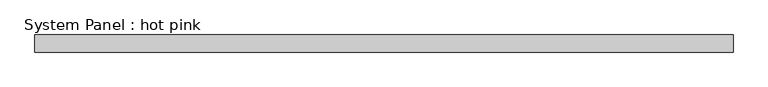
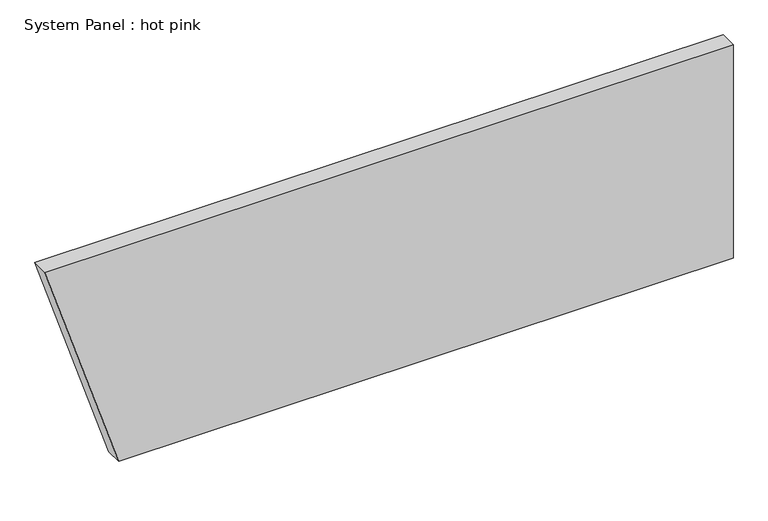
"""IFC4 building model written with IfcOpenShell, lengths in millimetres: plate geometry, System Panel : hot pink."""

from ifc_helpers import new_model, si_unit, frame, origin, place, context, project, spatial, polyline, outline, extrude, source, transform, mapped, element, save


def system_panel_hot_pink_542df853(model_context):
    return source(origin(), model_context, "Body", "SweptSolid", [
        extrude(outline(polyline([(0.0, -1017.7109443), (0.0, 1296.6841293), (850.9, 1296.6841293), (850.9, -1296.6841293), (0.0, -1017.7109443)])), frame((0.0, -44.45, 0.0), z_axis=(0.0, 1.0, 0.0), x_axis=(0.0, 0.0, 1.0)), (0.0, 0.0, 1.0), 63.5),
    ])


if __name__ == "__main__":
    model = new_model("IFC4")
    model_context = context("Model", 3, world=origin())
    ifc_project = project(units=[si_unit("LENGTHUNIT", "METRE", prefix="MILLI")], contexts=[model_context])
    site = spatial("IfcSite", under=ifc_project)
    building = spatial("IfcBuilding", under=site)
    placement = place(None, origin())
    system_panel_hot_pink_shape = system_panel_hot_pink_542df853(model_context)
    element("IfcPlate", 1, ObjectType="System Panel : hot pink", at=placement, inside=building, context=model_context, shape_type="MappedRepresentation", body=[
        mapped(system_panel_hot_pink_shape, transform((0.0, 0.0, 0.0), x_axis=(1.0, 0.0, 0.0), y_axis=(0.0, 1.0, 0.0), z_axis=(0.0, 0.0, 1.0))),
    ])
    save(model, "model.ifc")
